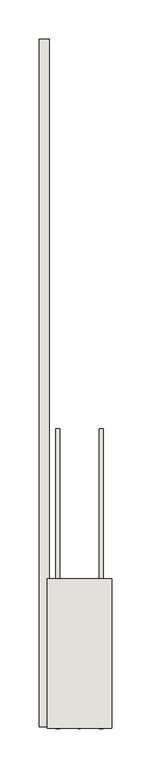
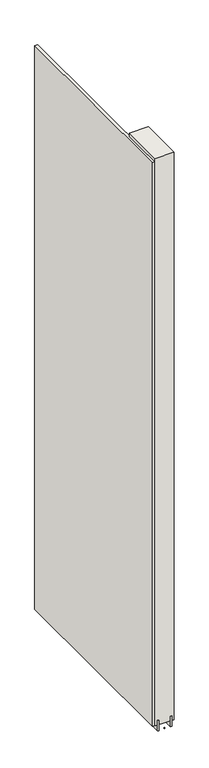
"""IFC4 building model written with IfcOpenShell, lengths in millimetres: wall geometry."""

from ifc_helpers import new_model, si_unit, frame, origin, place, context, project, spatial, polyline, outline, extrude, source, transform, mapped, element, save


def wall_ce470284(model_context):
    return source(origin(), model_context, "Body", "SweptSolid", [
        extrude(outline(polyline([(59186.482211, -45950.6662392), (59186.482211, -45953.2062392), (59183.942211, -45953.2062392), (59183.942211, -45950.6662392), (59186.482211, -45950.6662392)])), frame((0.0, 0.0, 4419.6), z_axis=(0.0, 0.0, 1.0), x_axis=(1.0, 0.0, 0.0)), (0.0, 0.0, 1.0), 2.54),
        extrude(outline(polyline([(59134.412211, -45951.2068147), (59134.412211, -45079.6770617), (59147.112211, -45079.6770617), (59147.112211, -45951.2068147), (59134.412211, -45951.2068147)])), frame((0.0, 0.0, 4445.0), z_axis=(0.0, 0.0, 1.0), x_axis=(1.0, 0.0, 0.0)), (0.0, 0.0, 1.0), 2545.0498756),
        extrude(outline(polyline([(59160.1284664, -45572.9857144), (59160.1284664, -45953.198162), (59155.049711, -45953.198162), (59155.049711, -45572.9857144), (59160.1284664, -45572.9857144)])), frame((0.0, 0.0, 4418.6602), z_axis=(0.0, 0.0, 1.0), x_axis=(1.0, 0.0, 0.0)), (0.0, 0.0, 1.0), 47.625),
        extrude(outline(polyline([(59160.1284664, -45572.9857144), (59160.1284664, -45953.198162), (59155.049711, -45953.198162), (59155.049711, -45572.9857144), (59160.1284664, -45572.9857144)])), frame((0.0, 0.0, 4418.6602), z_axis=(0.0, 0.0, 1.0), x_axis=(1.0, 0.0, 0.0)), (0.0, 0.0, 1.0), 47.625),
        extrude(outline(polyline([(59210.2959556, -45953.198162), (59210.2959556, -45572.9857144), (59215.374711, -45572.9857144), (59215.374711, -45953.198162), (59210.2959556, -45953.198162)])), frame((0.0, 0.0, 4418.6602), z_axis=(0.0, 0.0, 1.0), x_axis=(1.0, 0.0, 0.0)), (0.0, 0.0, 1.0), 47.625),
        extrude(outline(polyline([(59210.2959556, -45953.198162), (59210.2959556, -45572.9857144), (59215.374711, -45572.9857144), (59215.374711, -45953.198162), (59210.2959556, -45953.198162)])), frame((0.0, 0.0, 4418.6602), z_axis=(0.0, 0.0, 1.0), x_axis=(1.0, 0.0, 0.0)), (0.0, 0.0, 1.0), 47.625),
        extrude(outline(polyline([(59144.5573266, -45763.4857144), (59225.8670954, -45763.4857144), (59225.8670954, -45953.198162), (59144.5573266, -45953.198162), (59144.5573266, -45763.4857144)])), frame((0.0, 0.0, 4445.0), z_axis=(0.0, 0.0, 1.0), x_axis=(1.0, 0.0, 0.0)), (0.0, 0.0, 1.0), 2562.4536762),
    ])


if __name__ == "__main__":
    model = new_model("IFC4")
    model_context = context("Model", 3, world=origin())
    ifc_project = project(units=[si_unit("LENGTHUNIT", "METRE", prefix="MILLI")], contexts=[model_context])
    site = spatial("IfcSite", under=ifc_project)
    building = spatial("IfcBuilding", under=site)
    placement = place(None, origin())
    wall_shape = wall_ce470284(model_context)
    element("IfcWall", 1, at=placement, inside=building, context=model_context, shape_type="MappedRepresentation", body=[
        mapped(wall_shape, transform((0.0, 0.0, 0.0), x_axis=(1.0, 0.0, 0.0), y_axis=(0.0, 1.0, 0.0), z_axis=(0.0, 0.0, 1.0))),
    ])
    save(model, "model.ifc")
